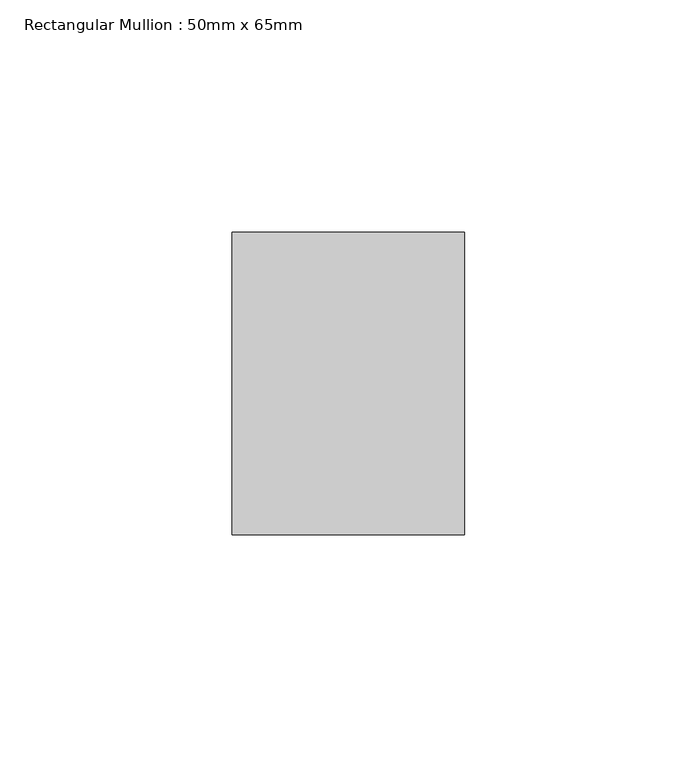
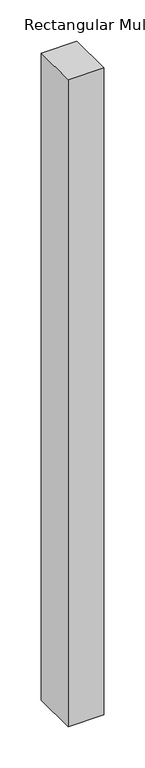
"""IFC4 building model written with IfcOpenShell, lengths in millimetres: member geometry, Rectangular Mullion : 50mm x 65mm."""

from ifc_helpers import new_model, si_unit, frame, origin, place, context, project, spatial, polyline, outline, extrude, source, transform, mapped, element, save


def rectangular_mullion_50mm_x_65mm_85ccb462(model_context):
    return source(origin(), model_context, "Body", "SweptSolid", [
        extrude(outline(polyline([(25.0, 32.5), (25.0, -32.5), (-25.0, -32.5), (-25.0, 32.5), (25.0, 32.5)])), frame((0.0, 0.0, -957.7642129), z_axis=(0.0, 0.0, 1.0), x_axis=(1.0, 0.0, 0.0)), (0.0, 0.0, 1.0), 957.7642129),
    ])


if __name__ == "__main__":
    model = new_model("IFC4")
    model_context = context("Model", 3, world=origin())
    ifc_project = project(units=[si_unit("LENGTHUNIT", "METRE", prefix="MILLI")], contexts=[model_context])
    site = spatial("IfcSite", under=ifc_project)
    building = spatial("IfcBuilding", under=site)
    placement = place(None, origin())
    rectangular_mullion_50mm_x_65mm_shape = rectangular_mullion_50mm_x_65mm_85ccb462(model_context)
    element("IfcMember", 1, ObjectType="Rectangular Mullion : 50mm x 65mm", at=placement, inside=building, context=model_context, shape_type="MappedRepresentation", body=[
        mapped(rectangular_mullion_50mm_x_65mm_shape, transform((0.0, 0.0, 0.0), x_axis=(1.0, 0.0, 0.0), y_axis=(0.0, 1.0, 0.0), z_axis=(0.0, 0.0, 1.0))),
    ])
    save(model, "model.ifc")
